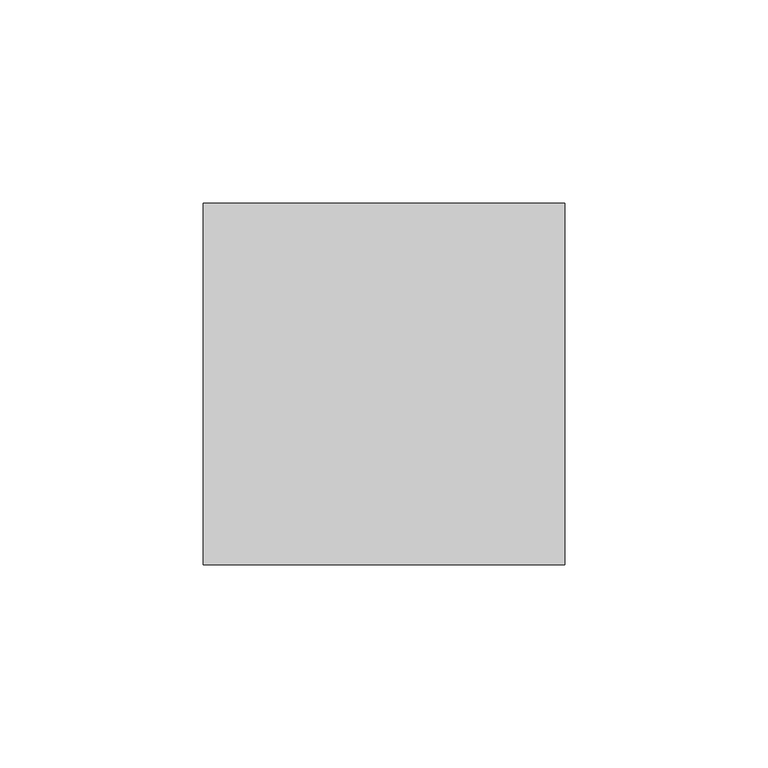
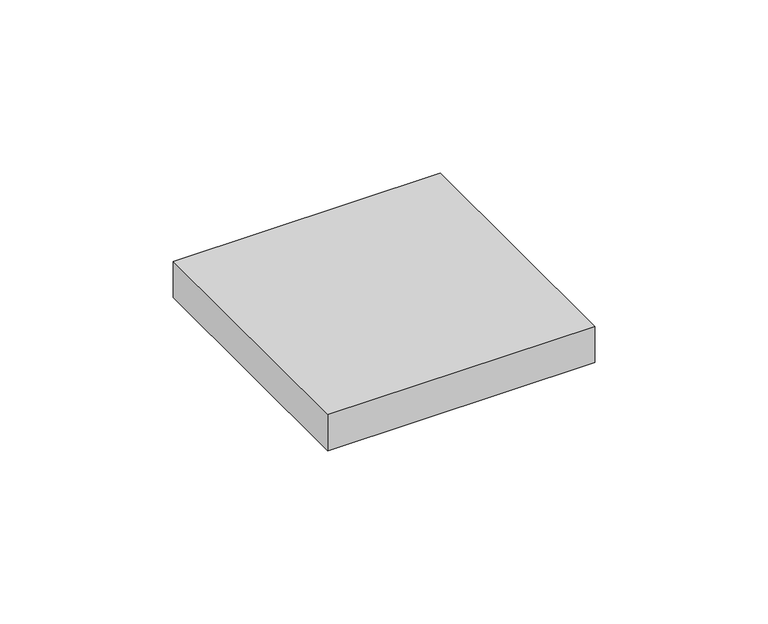
"""IFC4 building model written with IfcOpenShell, lengths in millimetres: furniture geometry."""

from ifc_helpers import new_model, si_unit, frame, origin, place, context, project, spatial, polyline, outline, extrude, source, transform, mapped, element, save


def furniture_89da88fe(model_context):
    return source(origin(), model_context, "Body", "SweptSolid", [
        extrude(outline(polyline([(-360.78795, 38.7477), (-271.88795, 38.7477), (-271.88795, -50.1523), (-360.78795, -50.1523), (-360.78795, 38.7477)])), frame((0.0, 0.0, 1168.4), z_axis=(0.0, 0.0, 1.0), x_axis=(1.0, 0.0, 0.0)), (0.0, 0.0, 1.0), 12.7),
    ])


if __name__ == "__main__":
    model = new_model("IFC4")
    model_context = context("Model", 3, world=origin())
    ifc_project = project(units=[si_unit("LENGTHUNIT", "METRE", prefix="MILLI")], contexts=[model_context])
    site = spatial("IfcSite", under=ifc_project)
    building = spatial("IfcBuilding", under=site)
    placement = place(None, origin())
    furniture_shape = furniture_89da88fe(model_context)
    element("IfcFurniture", 1, at=placement, inside=building, context=model_context, shape_type="MappedRepresentation", body=[
        mapped(furniture_shape, transform((0.0, 0.0, 0.0), x_axis=(1.0, 0.0, 0.0), y_axis=(0.0, 1.0, 0.0), z_axis=(0.0, 0.0, 1.0))),
    ])
    save(model, "model.ifc")
